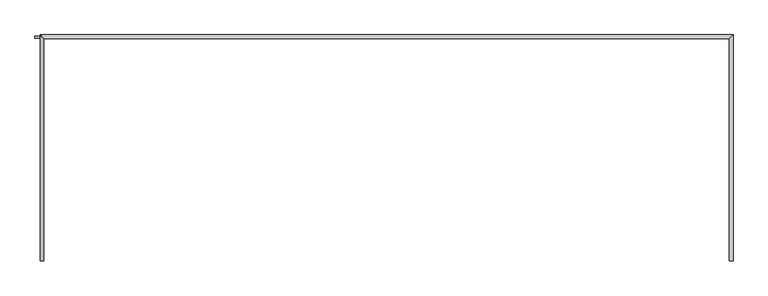
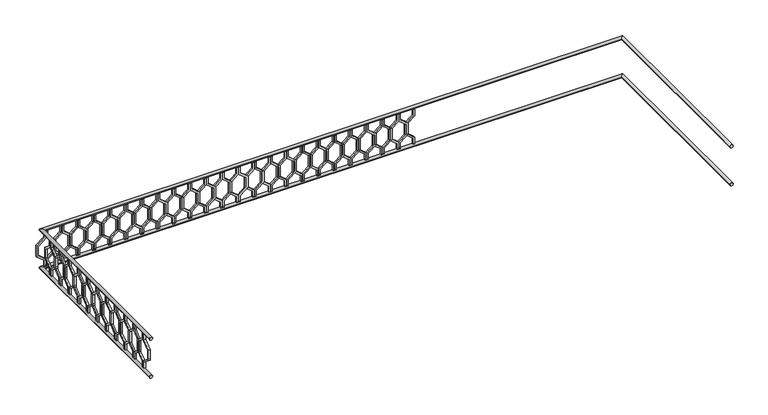
"""IFC4 building model written with IfcOpenShell, lengths in millimetres: railing geometry."""

from ifc_helpers import new_model, si_unit, frame, origin, place, context, project, spatial, polyline, circle_curve, ellipse_curve, outline, extrude, source, transform, mapped, element, save
from ifc_brep_helpers import plane_surface, cylinder_surface, advanced_brep


def railing_f02215d7(model_context):
    return source(origin(), model_context, "Body", "SolidModel", [
        advanced_brep(
        [(-40739.9887159, 903.1079487, 25380.0), (-40699.9887159, 903.1079487, 25380.0), (-40739.9887159, 3243.1079487, 25380.0), (-40699.9887159, 3283.1079487, 25380.0), (-47939.9887159, 3243.1079487, 25380.0), (-47979.9887159, 3283.1079487, 25380.0), (-47939.9887159, 903.1079487, 25380.0), (-47979.9887159, 903.1079487, 25380.0)],
        [
            (0, 1, circle_curve(frame((-40719.9887159, 903.1079487, 25380.0), z_axis=(0.0, -1.0, 0.0), x_axis=(1.0, 0.0, 0.0)), 20.0)),
            (1, 0, circle_curve(frame((-40719.9887159, 903.1079487, 25380.0), z_axis=(0.0, -1.0, 0.0), x_axis=(1.0, 0.0, 0.0)), 20.0)),
            (0, 2),
            (2, 3, ellipse_curve(frame((-40719.9887159, 3263.1079487, 25380.0), z_axis=(0.7071067811865475, -0.7071067811865476, 0.0), x_axis=(-0.7071067811865476, -0.7071067811865475, 0.0)), 28.2842712, 20.0)),
            (3, 1),
            (3, 2, ellipse_curve(frame((-40719.9887159, 3263.1079487, 25380.0), z_axis=(0.7071067811865475, -0.7071067811865476, 0.0), x_axis=(-0.7071067811865476, -0.7071067811865475, 0.0)), 28.2842712, 20.0)),
            (2, 4),
            (4, 5, ellipse_curve(frame((-47959.9887159, 3263.1079487, 25380.0), z_axis=(0.7071067811865481, 0.7071067811865469, 0.0), x_axis=(0.7071067811865469, -0.7071067811865481, 0.0)), 28.2842712, 20.0)),
            (5, 3),
            (5, 4, ellipse_curve(frame((-47959.9887159, 3263.1079487, 25380.0), z_axis=(0.7071067811865481, 0.7071067811865469, 0.0), x_axis=(0.7071067811865469, -0.7071067811865481, 0.0)), 28.2842712, 20.0)),
            (6, 7, circle_curve(frame((-47959.9887159, 903.1079487, 25380.0), z_axis=(0.0, -1.0, 0.0), x_axis=(-1.0, 0.0, 0.0)), 20.0)),
            (7, 6, circle_curve(frame((-47959.9887159, 903.1079487, 25380.0), z_axis=(0.0, -1.0, 0.0), x_axis=(-1.0, 0.0, 0.0)), 20.0)),
            (4, 6),
            (7, 5),
        ],
        [
            plane_surface(frame((-40719.9887159, 903.1079487, 25400.0), z_axis=(0.0, -1.0, 0.0), x_axis=(0.0, 0.0, 1.0))),
            cylinder_surface(frame((-40719.9887159, 903.1079487, 25380.0), z_axis=(0.0, -1.0, 0.0), x_axis=(1.0, 0.0, 0.0)), 20.0),
            cylinder_surface(frame((-40719.9887159, 3263.1079487, 25380.0), z_axis=(1.0, 0.0, 0.0), x_axis=(0.0, 1.0, 0.0)), 20.0),
            plane_surface(frame((-47959.9887159, 903.1079487, 25400.0), z_axis=(0.0, -1.0, 0.0), x_axis=(0.0, 0.0, -1.0))),
            cylinder_surface(frame((-47959.9887159, 3263.1079487, 25380.0), z_axis=(0.0, 1.0, 0.0), x_axis=(-1.0, 0.0, 0.0)), 20.0),
        ],
        [
            (0, [[1, 2]]),
            (1, [[-1, 3, 4, 5]]),
            (1, [[-2, -5, 6, -3]]),
            (2, [[-4, 7, 8, 9]]),
            (2, [[-6, -9, 10, -7]]),
            (3, [[11, 12]]),
            (4, [[-8, 13, -12, 14]]),
            (4, [[-10, -14, -11, -13]]),
        ],
    ),
        advanced_brep(
        [(-40739.9887159, 903.1079487, 24880.0), (-40699.9887159, 903.1079487, 24880.0), (-40739.9887159, 3243.1079487, 24880.0), (-40699.9887159, 3283.1079487, 24880.0), (-47939.9887159, 3243.1079487, 24880.0), (-47979.9887159, 3283.1079487, 24880.0), (-47939.9887159, 903.1079487, 24880.0), (-47979.9887159, 903.1079487, 24880.0)],
        [
            (0, 1, circle_curve(frame((-40719.9887159, 903.1079487, 24880.0), z_axis=(0.0, -1.0, 0.0), x_axis=(1.0, 0.0, 0.0)), 20.0)),
            (1, 0, circle_curve(frame((-40719.9887159, 903.1079487, 24880.0), z_axis=(0.0, -1.0, 0.0), x_axis=(1.0, 0.0, 0.0)), 20.0)),
            (0, 2),
            (2, 3, ellipse_curve(frame((-40719.9887159, 3263.1079487, 24880.0), z_axis=(0.7071067811865475, -0.7071067811865476, 0.0), x_axis=(-0.7071067811865476, -0.7071067811865475, 0.0)), 28.2842712, 20.0)),
            (3, 1),
            (3, 2, ellipse_curve(frame((-40719.9887159, 3263.1079487, 24880.0), z_axis=(0.7071067811865475, -0.7071067811865476, 0.0), x_axis=(-0.7071067811865476, -0.7071067811865475, 0.0)), 28.2842712, 20.0)),
            (2, 4),
            (4, 5, ellipse_curve(frame((-47959.9887159, 3263.1079487, 24880.0), z_axis=(0.7071067811865481, 0.7071067811865469, 0.0), x_axis=(0.7071067811865469, -0.7071067811865481, 0.0)), 28.2842712, 20.0)),
            (5, 3),
            (5, 4, ellipse_curve(frame((-47959.9887159, 3263.1079487, 24880.0), z_axis=(0.7071067811865481, 0.7071067811865469, 0.0), x_axis=(0.7071067811865469, -0.7071067811865481, 0.0)), 28.2842712, 20.0)),
            (6, 7, circle_curve(frame((-47959.9887159, 903.1079487, 24880.0), z_axis=(0.0, -1.0, 0.0), x_axis=(-1.0, 0.0, 0.0)), 20.0)),
            (7, 6, circle_curve(frame((-47959.9887159, 903.1079487, 24880.0), z_axis=(0.0, -1.0, 0.0), x_axis=(-1.0, 0.0, 0.0)), 20.0)),
            (4, 6),
            (7, 5),
        ],
        [
            plane_surface(frame((-40719.9887159, 903.1079487, 24900.0), z_axis=(0.0, -1.0, 0.0), x_axis=(0.0, 0.0, 1.0))),
            cylinder_surface(frame((-40719.9887159, 903.1079487, 24880.0), z_axis=(0.0, -1.0, 0.0), x_axis=(1.0, 0.0, 0.0)), 20.0),
            cylinder_surface(frame((-40719.9887159, 3263.1079487, 24880.0), z_axis=(1.0, 0.0, 0.0), x_axis=(0.0, 1.0, 0.0)), 20.0),
            plane_surface(frame((-47959.9887159, 903.1079487, 24900.0), z_axis=(0.0, -1.0, 0.0), x_axis=(0.0, 0.0, -1.0))),
            cylinder_surface(frame((-47959.9887159, 3263.1079487, 24880.0), z_axis=(0.0, 1.0, 0.0), x_axis=(-1.0, 0.0, 0.0)), 20.0),
        ],
        [
            (0, [[1, 2]]),
            (1, [[-1, 3, 4, 5]]),
            (1, [[-2, -5, 6, -3]]),
            (2, [[-4, 7, 8, 9]]),
            (2, [[-6, -9, 10, -7]]),
            (3, [[11, 12]]),
            (4, [[-8, 13, -12, 14]]),
            (4, [[-10, -14, -11, -13]]),
        ],
    ),
        extrude(outline(polyline([(1068.1079487, 25360.0), (1068.1079487, 25270.448155), (969.1129993, 25190.448155), (969.1129993, 25069.551845), (1068.1079487, 24989.551845), (1068.1079487, 24900.0), (1048.1079487, 24900.0), (1048.1079487, 24980.0), (949.1129993, 25060.0), (949.1129993, 25200.0), (1048.1079487, 25280.0), (1048.1079487, 25360.0), (1068.1079487, 25360.0)])), frame((-47964.9887159, 0.0, 0.0), z_axis=(1.0, 0.0, 0.0), x_axis=(0.0, 1.0, 0.0)), (0.0, 0.0, 1.0), 20.0),
        extrude(outline(polyline([(1068.1079487, 25360.0), (1088.1079487, 25360.0), (1088.1079487, 25280.0), (1187.102898, 25200.0), (1187.102898, 25060.0), (1088.1079487, 24980.0), (1088.1079487, 24900.0), (1068.1079487, 24900.0), (1068.1079487, 24989.551845), (1167.102898, 25069.551845), (1167.102898, 25190.448155), (1068.1079487, 25270.448155), (1068.1079487, 25360.0)])), frame((-47964.9887159, 0.0, 0.0), z_axis=(1.0, 0.0, 0.0), x_axis=(0.0, 1.0, 0.0)), (0.0, 0.0, 1.0), 20.0),
        extrude(outline(polyline([(1268.1079487, 25360.0), (1268.1079487, 25270.448155), (1169.1129993, 25190.448155), (1169.1129993, 25069.551845), (1268.1079487, 24989.551845), (1268.1079487, 24900.0), (1248.1079487, 24900.0), (1248.1079487, 24980.0), (1149.1129993, 25060.0), (1149.1129993, 25200.0), (1248.1079487, 25280.0), (1248.1079487, 25360.0), (1268.1079487, 25360.0)])), frame((-47964.9887159, 0.0, 0.0), z_axis=(1.0, 0.0, 0.0), x_axis=(0.0, 1.0, 0.0)), (0.0, 0.0, 1.0), 20.0),
        extrude(outline(polyline([(1268.1079487, 25360.0), (1288.1079487, 25360.0), (1288.1079487, 25280.0), (1387.102898, 25200.0), (1387.102898, 25060.0), (1288.1079487, 24980.0), (1288.1079487, 24900.0), (1268.1079487, 24900.0), (1268.1079487, 24989.551845), (1367.102898, 25069.551845), (1367.102898, 25190.448155), (1268.1079487, 25270.448155), (1268.1079487, 25360.0)])), frame((-47964.9887159, 0.0, 0.0), z_axis=(1.0, 0.0, 0.0), x_axis=(0.0, 1.0, 0.0)), (0.0, 0.0, 1.0), 20.0),
        extrude(outline(polyline([(1468.1079487, 25360.0), (1468.1079487, 25270.448155), (1369.1129993, 25190.448155), (1369.1129993, 25069.551845), (1468.1079487, 24989.551845), (1468.1079487, 24900.0), (1448.1079487, 24900.0), (1448.1079487, 24980.0), (1349.1129993, 25060.0), (1349.1129993, 25200.0), (1448.1079487, 25280.0), (1448.1079487, 25360.0), (1468.1079487, 25360.0)])), frame((-47964.9887159, 0.0, 0.0), z_axis=(1.0, 0.0, 0.0), x_axis=(0.0, 1.0, 0.0)), (0.0, 0.0, 1.0), 20.0),
        extrude(outline(polyline([(1468.1079487, 25360.0), (1488.1079487, 25360.0), (1488.1079487, 25280.0), (1587.102898, 25200.0), (1587.102898, 25060.0), (1488.1079487, 24980.0), (1488.1079487, 24900.0), (1468.1079487, 24900.0), (1468.1079487, 24989.551845), (1567.102898, 25069.551845), (1567.102898, 25190.448155), (1468.1079487, 25270.448155), (1468.1079487, 25360.0)])), frame((-47964.9887159, 0.0, 0.0), z_axis=(1.0, 0.0, 0.0), x_axis=(0.0, 1.0, 0.0)), (0.0, 0.0, 1.0), 20.0),
        extrude(outline(polyline([(1668.1079487, 25360.0), (1668.1079487, 25270.448155), (1569.1129993, 25190.448155), (1569.1129993, 25069.551845), (1668.1079487, 24989.551845), (1668.1079487, 24900.0), (1648.1079487, 24900.0), (1648.1079487, 24980.0), (1549.1129993, 25060.0), (1549.1129993, 25200.0), (1648.1079487, 25280.0), (1648.1079487, 25360.0), (1668.1079487, 25360.0)])), frame((-47964.9887159, 0.0, 0.0), z_axis=(1.0, 0.0, 0.0), x_axis=(0.0, 1.0, 0.0)), (0.0, 0.0, 1.0), 20.0),
        extrude(outline(polyline([(1668.1079487, 25360.0), (1688.1079487, 25360.0), (1688.1079487, 25280.0), (1787.102898, 25200.0), (1787.102898, 25060.0), (1688.1079487, 24980.0), (1688.1079487, 24900.0), (1668.1079487, 24900.0), (1668.1079487, 24989.551845), (1767.102898, 25069.551845), (1767.102898, 25190.448155), (1668.1079487, 25270.448155), (1668.1079487, 25360.0)])), frame((-47964.9887159, 0.0, 0.0), z_axis=(1.0, 0.0, 0.0), x_axis=(0.0, 1.0, 0.0)), (0.0, 0.0, 1.0), 20.0),
        extrude(outline(polyline([(1868.1079487, 25360.0), (1868.1079487, 25270.448155), (1769.1129993, 25190.448155), (1769.1129993, 25069.551845), (1868.1079487, 24989.551845), (1868.1079487, 24900.0), (1848.1079487, 24900.0), (1848.1079487, 24980.0), (1749.1129993, 25060.0), (1749.1129993, 25200.0), (1848.1079487, 25280.0), (1848.1079487, 25360.0), (1868.1079487, 25360.0)])), frame((-47964.9887159, 0.0, 0.0), z_axis=(1.0, 0.0, 0.0), x_axis=(0.0, 1.0, 0.0)), (0.0, 0.0, 1.0), 20.0),
        extrude(outline(polyline([(1868.1079487, 25360.0), (1888.1079487, 25360.0), (1888.1079487, 25280.0), (1987.102898, 25200.0), (1987.102898, 25060.0), (1888.1079487, 24980.0), (1888.1079487, 24900.0), (1868.1079487, 24900.0), (1868.1079487, 24989.551845), (1967.102898, 25069.551845), (1967.102898, 25190.448155), (1868.1079487, 25270.448155), (1868.1079487, 25360.0)])), frame((-47964.9887159, 0.0, 0.0), z_axis=(1.0, 0.0, 0.0), x_axis=(0.0, 1.0, 0.0)), (0.0, 0.0, 1.0), 20.0),
        extrude(outline(polyline([(2068.1079487, 25360.0), (2068.1079487, 25270.448155), (1969.1129993, 25190.448155), (1969.1129993, 25069.551845), (2068.1079487, 24989.551845), (2068.1079487, 24900.0), (2048.1079487, 24900.0), (2048.1079487, 24980.0), (1949.1129993, 25060.0), (1949.1129993, 25200.0), (2048.1079487, 25280.0), (2048.1079487, 25360.0), (2068.1079487, 25360.0)])), frame((-47964.9887159, 0.0, 0.0), z_axis=(1.0, 0.0, 0.0), x_axis=(0.0, 1.0, 0.0)), (0.0, 0.0, 1.0), 20.0),
        extrude(outline(polyline([(2068.1079487, 25360.0), (2088.1079487, 25360.0), (2088.1079487, 25280.0), (2187.102898, 25200.0), (2187.102898, 25060.0), (2088.1079487, 24980.0), (2088.1079487, 24900.0), (2068.1079487, 24900.0), (2068.1079487, 24989.551845), (2167.102898, 25069.551845), (2167.102898, 25190.448155), (2068.1079487, 25270.448155), (2068.1079487, 25360.0)])), frame((-47964.9887159, 0.0, 0.0), z_axis=(1.0, 0.0, 0.0), x_axis=(0.0, 1.0, 0.0)), (0.0, 0.0, 1.0), 20.0),
        extrude(outline(polyline([(2268.1079487, 25360.0), (2268.1079487, 25270.448155), (2169.1129993, 25190.448155), (2169.1129993, 25069.551845), (2268.1079487, 24989.551845), (2268.1079487, 24900.0), (2248.1079487, 24900.0), (2248.1079487, 24980.0), (2149.1129993, 25060.0), (2149.1129993, 25200.0), (2248.1079487, 25280.0), (2248.1079487, 25360.0), (2268.1079487, 25360.0)])), frame((-47964.9887159, 0.0, 0.0), z_axis=(1.0, 0.0, 0.0), x_axis=(0.0, 1.0, 0.0)), (0.0, 0.0, 1.0), 20.0),
        extrude(outline(polyline([(2268.1079487, 25360.0), (2288.1079487, 25360.0), (2288.1079487, 25280.0), (2387.102898, 25200.0), (2387.102898, 25060.0), (2288.1079487, 24980.0), (2288.1079487, 24900.0), (2268.1079487, 24900.0), (2268.1079487, 24989.551845), (2367.102898, 25069.551845), (2367.102898, 25190.448155), (2268.1079487, 25270.448155), (2268.1079487, 25360.0)])), frame((-47964.9887159, 0.0, 0.0), z_axis=(1.0, 0.0, 0.0), x_axis=(0.0, 1.0, 0.0)), (0.0, 0.0, 1.0), 20.0),
        extrude(outline(polyline([(2468.1079487, 25360.0), (2468.1079487, 25270.448155), (2369.1129993, 25190.448155), (2369.1129993, 25069.551845), (2468.1079487, 24989.551845), (2468.1079487, 24900.0), (2448.1079487, 24900.0), (2448.1079487, 24980.0), (2349.1129993, 25060.0), (2349.1129993, 25200.0), (2448.1079487, 25280.0), (2448.1079487, 25360.0), (2468.1079487, 25360.0)])), frame((-47964.9887159, 0.0, 0.0), z_axis=(1.0, 0.0, 0.0), x_axis=(0.0, 1.0, 0.0)), (0.0, 0.0, 1.0), 20.0),
        extrude(outline(polyline([(2468.1079487, 25360.0), (2488.1079487, 25360.0), (2488.1079487, 25280.0), (2587.102898, 25200.0), (2587.102898, 25060.0), (2488.1079487, 24980.0), (2488.1079487, 24900.0), (2468.1079487, 24900.0), (2468.1079487, 24989.551845), (2567.102898, 25069.551845), (2567.102898, 25190.448155), (2468.1079487, 25270.448155), (2468.1079487, 25360.0)])), frame((-47964.9887159, 0.0, 0.0), z_axis=(1.0, 0.0, 0.0), x_axis=(0.0, 1.0, 0.0)), (0.0, 0.0, 1.0), 20.0),
        extrude(outline(polyline([(2668.1079487, 25360.0), (2668.1079487, 25270.448155), (2569.1129993, 25190.448155), (2569.1129993, 25069.551845), (2668.1079487, 24989.551845), (2668.1079487, 24900.0), (2648.1079487, 24900.0), (2648.1079487, 24980.0), (2549.1129993, 25060.0), (2549.1129993, 25200.0), (2648.1079487, 25280.0), (2648.1079487, 25360.0), (2668.1079487, 25360.0)])), frame((-47964.9887159, 0.0, 0.0), z_axis=(1.0, 0.0, 0.0), x_axis=(0.0, 1.0, 0.0)), (0.0, 0.0, 1.0), 20.0),
        extrude(outline(polyline([(2668.1079487, 25360.0), (2688.1079487, 25360.0), (2688.1079487, 25280.0), (2787.102898, 25200.0), (2787.102898, 25060.0), (2688.1079487, 24980.0), (2688.1079487, 24900.0), (2668.1079487, 24900.0), (2668.1079487, 24989.551845), (2767.102898, 25069.551845), (2767.102898, 25190.448155), (2668.1079487, 25270.448155), (2668.1079487, 25360.0)])), frame((-47964.9887159, 0.0, 0.0), z_axis=(1.0, 0.0, 0.0), x_axis=(0.0, 1.0, 0.0)), (0.0, 0.0, 1.0), 20.0),
        extrude(outline(polyline([(2868.1079487, 25360.0), (2868.1079487, 25270.448155), (2769.1129993, 25190.448155), (2769.1129993, 25069.551845), (2868.1079487, 24989.551845), (2868.1079487, 24900.0), (2848.1079487, 24900.0), (2848.1079487, 24980.0), (2749.1129993, 25060.0), (2749.1129993, 25200.0), (2848.1079487, 25280.0), (2848.1079487, 25360.0), (2868.1079487, 25360.0)])), frame((-47964.9887159, 0.0, 0.0), z_axis=(1.0, 0.0, 0.0), x_axis=(0.0, 1.0, 0.0)), (0.0, 0.0, 1.0), 20.0),
        extrude(outline(polyline([(2868.1079487, 25360.0), (2888.1079487, 25360.0), (2888.1079487, 25280.0), (2987.102898, 25200.0), (2987.102898, 25060.0), (2888.1079487, 24980.0), (2888.1079487, 24900.0), (2868.1079487, 24900.0), (2868.1079487, 24989.551845), (2967.102898, 25069.551845), (2967.102898, 25190.448155), (2868.1079487, 25270.448155), (2868.1079487, 25360.0)])), frame((-47964.9887159, 0.0, 0.0), z_axis=(1.0, 0.0, 0.0), x_axis=(0.0, 1.0, 0.0)), (0.0, 0.0, 1.0), 20.0),
        extrude(outline(polyline([(3068.1079487, 25360.0), (3068.1079487, 25270.448155), (2969.1129993, 25190.448155), (2969.1129993, 25069.551845), (3068.1079487, 24989.551845), (3068.1079487, 24900.0), (3048.1079487, 24900.0), (3048.1079487, 24980.0), (2949.1129993, 25060.0), (2949.1129993, 25200.0), (3048.1079487, 25280.0), (3048.1079487, 25360.0), (3068.1079487, 25360.0)])), frame((-47964.9887159, 0.0, 0.0), z_axis=(1.0, 0.0, 0.0), x_axis=(0.0, 1.0, 0.0)), (0.0, 0.0, 1.0), 20.0),
        extrude(outline(polyline([(3068.1079487, 25360.0), (3088.1079487, 25360.0), (3088.1079487, 25280.0), (3187.102898, 25200.0), (3187.102898, 25060.0), (3088.1079487, 24980.0), (3088.1079487, 24900.0), (3068.1079487, 24900.0), (3068.1079487, 24989.551845), (3167.102898, 25069.551845), (3167.102898, 25190.448155), (3068.1079487, 25270.448155), (3068.1079487, 25360.0)])), frame((-47964.9887159, 0.0, 0.0), z_axis=(1.0, 0.0, 0.0), x_axis=(0.0, 1.0, 0.0)), (0.0, 0.0, 1.0), 20.0),
        extrude(outline(polyline([(25360.0, -47914.9887159), (25360.0, -47934.9887159), (25280.0, -47934.9887159), (25200.0, -48033.9836653), (25060.0, -48033.9836653), (24980.0, -47934.9887159), (24900.0, -47934.9887159), (24900.0, -47914.9887159), (24989.551845, -47914.9887159), (25069.551845, -48013.9836653), (25190.448155, -48013.9836653), (25270.448155, -47914.9887159), (25360.0, -47914.9887159)])), frame((0.0, 3248.1079487, 0.0), z_axis=(0.0, 1.0, 0.0), x_axis=(0.0, 0.0, 1.0)), (0.0, 0.0, 1.0), 20.0),
        extrude(outline(polyline([(25360.0, -47914.9887159), (25270.448155, -47914.9887159), (25190.448155, -47815.9937665), (25069.551845, -47815.9937665), (24989.551845, -47914.9887159), (24900.0, -47914.9887159), (24900.0, -47894.9887159), (24980.0, -47894.9887159), (25060.0, -47795.9937665), (25200.0, -47795.9937665), (25280.0, -47894.9887159), (25360.0, -47894.9887159), (25360.0, -47914.9887159)])), frame((0.0, 3248.1079487, 0.0), z_axis=(0.0, 1.0, 0.0), x_axis=(0.0, 0.0, 1.0)), (0.0, 0.0, 1.0), 20.0),
        extrude(outline(polyline([(25360.0, -47714.9887159), (25360.0, -47734.9887159), (25280.0, -47734.9887159), (25200.0, -47833.9836653), (25060.0, -47833.9836653), (24980.0, -47734.9887159), (24900.0, -47734.9887159), (24900.0, -47714.9887159), (24989.551845, -47714.9887159), (25069.551845, -47813.9836653), (25190.448155, -47813.9836653), (25270.448155, -47714.9887159), (25360.0, -47714.9887159)])), frame((0.0, 3248.1079487, 0.0), z_axis=(0.0, 1.0, 0.0), x_axis=(0.0, 0.0, 1.0)), (0.0, 0.0, 1.0), 20.0),
        extrude(outline(polyline([(25360.0, -47714.9887159), (25270.448155, -47714.9887159), (25190.448155, -47615.9937665), (25069.551845, -47615.9937665), (24989.551845, -47714.9887159), (24900.0, -47714.9887159), (24900.0, -47694.9887159), (24980.0, -47694.9887159), (25060.0, -47595.9937665), (25200.0, -47595.9937665), (25280.0, -47694.9887159), (25360.0, -47694.9887159), (25360.0, -47714.9887159)])), frame((0.0, 3248.1079487, 0.0), z_axis=(0.0, 1.0, 0.0), x_axis=(0.0, 0.0, 1.0)), (0.0, 0.0, 1.0), 20.0),
        extrude(outline(polyline([(25360.0, -47514.9887159), (25360.0, -47534.9887159), (25280.0, -47534.9887159), (25200.0, -47633.9836653), (25060.0, -47633.9836653), (24980.0, -47534.9887159), (24900.0, -47534.9887159), (24900.0, -47514.9887159), (24989.551845, -47514.9887159), (25069.551845, -47613.9836653), (25190.448155, -47613.9836653), (25270.448155, -47514.9887159), (25360.0, -47514.9887159)])), frame((0.0, 3248.1079487, 0.0), z_axis=(0.0, 1.0, 0.0), x_axis=(0.0, 0.0, 1.0)), (0.0, 0.0, 1.0), 20.0),
        extrude(outline(polyline([(25360.0, -47514.9887159), (25270.448155, -47514.9887159), (25190.448155, -47415.9937665), (25069.551845, -47415.9937665), (24989.551845, -47514.9887159), (24900.0, -47514.9887159), (24900.0, -47494.9887159), (24980.0, -47494.9887159), (25060.0, -47395.9937665), (25200.0, -47395.9937665), (25280.0, -47494.9887159), (25360.0, -47494.9887159), (25360.0, -47514.9887159)])), frame((0.0, 3248.1079487, 0.0), z_axis=(0.0, 1.0, 0.0), x_axis=(0.0, 0.0, 1.0)), (0.0, 0.0, 1.0), 20.0),
        extrude(outline(polyline([(25360.0, -47314.9887159), (25360.0, -47334.9887159), (25280.0, -47334.9887159), (25200.0, -47433.9836653), (25060.0, -47433.9836653), (24980.0, -47334.9887159), (24900.0, -47334.9887159), (24900.0, -47314.9887159), (24989.551845, -47314.9887159), (25069.551845, -47413.9836653), (25190.448155, -47413.9836653), (25270.448155, -47314.9887159), (25360.0, -47314.9887159)])), frame((0.0, 3248.1079487, 0.0), z_axis=(0.0, 1.0, 0.0), x_axis=(0.0, 0.0, 1.0)), (0.0, 0.0, 1.0), 20.0),
        extrude(outline(polyline([(25360.0, -47314.9887159), (25270.448155, -47314.9887159), (25190.448155, -47215.9937665), (25069.551845, -47215.9937665), (24989.551845, -47314.9887159), (24900.0, -47314.9887159), (24900.0, -47294.9887159), (24980.0, -47294.9887159), (25060.0, -47195.9937665), (25200.0, -47195.9937665), (25280.0, -47294.9887159), (25360.0, -47294.9887159), (25360.0, -47314.9887159)])), frame((0.0, 3248.1079487, 0.0), z_axis=(0.0, 1.0, 0.0), x_axis=(0.0, 0.0, 1.0)), (0.0, 0.0, 1.0), 20.0),
        extrude(outline(polyline([(25360.0, -47114.9887159), (25360.0, -47134.9887159), (25280.0, -47134.9887159), (25200.0, -47233.9836653), (25060.0, -47233.9836653), (24980.0, -47134.9887159), (24900.0, -47134.9887159), (24900.0, -47114.9887159), (24989.551845, -47114.9887159), (25069.551845, -47213.9836653), (25190.448155, -47213.9836653), (25270.448155, -47114.9887159), (25360.0, -47114.9887159)])), frame((0.0, 3248.1079487, 0.0), z_axis=(0.0, 1.0, 0.0), x_axis=(0.0, 0.0, 1.0)), (0.0, 0.0, 1.0), 20.0),
        extrude(outline(polyline([(25360.0, -47114.9887159), (25270.448155, -47114.9887159), (25190.448155, -47015.9937665), (25069.551845, -47015.9937665), (24989.551845, -47114.9887159), (24900.0, -47114.9887159), (24900.0, -47094.9887159), (24980.0, -47094.9887159), (25060.0, -46995.9937665), (25200.0, -46995.9937665), (25280.0, -47094.9887159), (25360.0, -47094.9887159), (25360.0, -47114.9887159)])), frame((0.0, 3248.1079487, 0.0), z_axis=(0.0, 1.0, 0.0), x_axis=(0.0, 0.0, 1.0)), (0.0, 0.0, 1.0), 20.0),
        extrude(outline(polyline([(25360.0, -46914.9887159), (25360.0, -46934.9887159), (25280.0, -46934.9887159), (25200.0, -47033.9836653), (25060.0, -47033.9836653), (24980.0, -46934.9887159), (24900.0, -46934.9887159), (24900.0, -46914.9887159), (24989.551845, -46914.9887159), (25069.551845, -47013.9836653), (25190.448155, -47013.9836653), (25270.448155, -46914.9887159), (25360.0, -46914.9887159)])), frame((0.0, 3248.1079487, 0.0), z_axis=(0.0, 1.0, 0.0), x_axis=(0.0, 0.0, 1.0)), (0.0, 0.0, 1.0), 20.0),
        extrude(outline(polyline([(25360.0, -46914.9887159), (25270.448155, -46914.9887159), (25190.448155, -46815.9937665), (25069.551845, -46815.9937665), (24989.551845, -46914.9887159), (24900.0, -46914.9887159), (24900.0, -46894.9887159), (24980.0, -46894.9887159), (25060.0, -46795.9937665), (25200.0, -46795.9937665), (25280.0, -46894.9887159), (25360.0, -46894.9887159), (25360.0, -46914.9887159)])), frame((0.0, 3248.1079487, 0.0), z_axis=(0.0, 1.0, 0.0), x_axis=(0.0, 0.0, 1.0)), (0.0, 0.0, 1.0), 20.0),
        extrude(outline(polyline([(25360.0, -46714.9887159), (25360.0, -46734.9887159), (25280.0, -46734.9887159), (25200.0, -46833.9836653), (25060.0, -46833.9836653), (24980.0, -46734.9887159), (24900.0, -46734.9887159), (24900.0, -46714.9887159), (24989.551845, -46714.9887159), (25069.551845, -46813.9836653), (25190.448155, -46813.9836653), (25270.448155, -46714.9887159), (25360.0, -46714.9887159)])), frame((0.0, 3248.1079487, 0.0), z_axis=(0.0, 1.0, 0.0), x_axis=(0.0, 0.0, 1.0)), (0.0, 0.0, 1.0), 20.0),
        extrude(outline(polyline([(25360.0, -46714.9887159), (25270.448155, -46714.9887159), (25190.448155, -46615.9937665), (25069.551845, -46615.9937665), (24989.551845, -46714.9887159), (24900.0, -46714.9887159), (24900.0, -46694.9887159), (24980.0, -46694.9887159), (25060.0, -46595.9937665), (25200.0, -46595.9937665), (25280.0, -46694.9887159), (25360.0, -46694.9887159), (25360.0, -46714.9887159)])), frame((0.0, 3248.1079487, 0.0), z_axis=(0.0, 1.0, 0.0), x_axis=(0.0, 0.0, 1.0)), (0.0, 0.0, 1.0), 20.0),
        extrude(outline(polyline([(25360.0, -46514.9887159), (25360.0, -46534.9887159), (25280.0, -46534.9887159), (25200.0, -46633.9836653), (25060.0, -46633.9836653), (24980.0, -46534.9887159), (24900.0, -46534.9887159), (24900.0, -46514.9887159), (24989.551845, -46514.9887159), (25069.551845, -46613.9836653), (25190.448155, -46613.9836653), (25270.448155, -46514.9887159), (25360.0, -46514.9887159)])), frame((0.0, 3248.1079487, 0.0), z_axis=(0.0, 1.0, 0.0), x_axis=(0.0, 0.0, 1.0)), (0.0, 0.0, 1.0), 20.0),
        extrude(outline(polyline([(25360.0, -46514.9887159), (25270.448155, -46514.9887159), (25190.448155, -46415.9937665), (25069.551845, -46415.9937665), (24989.551845, -46514.9887159), (24900.0, -46514.9887159), (24900.0, -46494.9887159), (24980.0, -46494.9887159), (25060.0, -46395.9937665), (25200.0, -46395.9937665), (25280.0, -46494.9887159), (25360.0, -46494.9887159), (25360.0, -46514.9887159)])), frame((0.0, 3248.1079487, 0.0), z_axis=(0.0, 1.0, 0.0), x_axis=(0.0, 0.0, 1.0)), (0.0, 0.0, 1.0), 20.0),
        extrude(outline(polyline([(25360.0, -46314.9887159), (25360.0, -46334.9887159), (25280.0, -46334.9887159), (25200.0, -46433.9836653), (25060.0, -46433.9836653), (24980.0, -46334.9887159), (24900.0, -46334.9887159), (24900.0, -46314.9887159), (24989.551845, -46314.9887159), (25069.551845, -46413.9836653), (25190.448155, -46413.9836653), (25270.448155, -46314.9887159), (25360.0, -46314.9887159)])), frame((0.0, 3248.1079487, 0.0), z_axis=(0.0, 1.0, 0.0), x_axis=(0.0, 0.0, 1.0)), (0.0, 0.0, 1.0), 20.0),
        extrude(outline(polyline([(25360.0, -46314.9887159), (25270.448155, -46314.9887159), (25190.448155, -46215.9937665), (25069.551845, -46215.9937665), (24989.551845, -46314.9887159), (24900.0, -46314.9887159), (24900.0, -46294.9887159), (24980.0, -46294.9887159), (25060.0, -46195.9937665), (25200.0, -46195.9937665), (25280.0, -46294.9887159), (25360.0, -46294.9887159), (25360.0, -46314.9887159)])), frame((0.0, 3248.1079487, 0.0), z_axis=(0.0, 1.0, 0.0), x_axis=(0.0, 0.0, 1.0)), (0.0, 0.0, 1.0), 20.0),
        extrude(outline(polyline([(25360.0, -46114.9887159), (25360.0, -46134.9887159), (25280.0, -46134.9887159), (25200.0, -46233.9836653), (25060.0, -46233.9836653), (24980.0, -46134.9887159), (24900.0, -46134.9887159), (24900.0, -46114.9887159), (24989.551845, -46114.9887159), (25069.551845, -46213.9836653), (25190.448155, -46213.9836653), (25270.448155, -46114.9887159), (25360.0, -46114.9887159)])), frame((0.0, 3248.1079487, 0.0), z_axis=(0.0, 1.0, 0.0), x_axis=(0.0, 0.0, 1.0)), (0.0, 0.0, 1.0), 20.0),
        extrude(outline(polyline([(25360.0, -46114.9887159), (25270.448155, -46114.9887159), (25190.448155, -46015.9937665), (25069.551845, -46015.9937665), (24989.551845, -46114.9887159), (24900.0, -46114.9887159), (24900.0, -46094.9887159), (24980.0, -46094.9887159), (25060.0, -45995.9937665), (25200.0, -45995.9937665), (25280.0, -46094.9887159), (25360.0, -46094.9887159), (25360.0, -46114.9887159)])), frame((0.0, 3248.1079487, 0.0), z_axis=(0.0, 1.0, 0.0), x_axis=(0.0, 0.0, 1.0)), (0.0, 0.0, 1.0), 20.0),
        extrude(outline(polyline([(25360.0, -45914.9887159), (25360.0, -45934.9887159), (25280.0, -45934.9887159), (25200.0, -46033.9836653), (25060.0, -46033.9836653), (24980.0, -45934.9887159), (24900.0, -45934.9887159), (24900.0, -45914.9887159), (24989.551845, -45914.9887159), (25069.551845, -46013.9836653), (25190.448155, -46013.9836653), (25270.448155, -45914.9887159), (25360.0, -45914.9887159)])), frame((0.0, 3248.1079487, 0.0), z_axis=(0.0, 1.0, 0.0), x_axis=(0.0, 0.0, 1.0)), (0.0, 0.0, 1.0), 20.0),
        extrude(outline(polyline([(25360.0, -45914.9887159), (25270.448155, -45914.9887159), (25190.448155, -45815.9937665), (25069.551845, -45815.9937665), (24989.551845, -45914.9887159), (24900.0, -45914.9887159), (24900.0, -45894.9887159), (24980.0, -45894.9887159), (25060.0, -45795.9937665), (25200.0, -45795.9937665), (25280.0, -45894.9887159), (25360.0, -45894.9887159), (25360.0, -45914.9887159)])), frame((0.0, 3248.1079487, 0.0), z_axis=(0.0, 1.0, 0.0), x_axis=(0.0, 0.0, 1.0)), (0.0, 0.0, 1.0), 20.0),
        extrude(outline(polyline([(25360.0, -45714.9887159), (25360.0, -45734.9887159), (25280.0, -45734.9887159), (25200.0, -45833.9836653), (25060.0, -45833.9836653), (24980.0, -45734.9887159), (24900.0, -45734.9887159), (24900.0, -45714.9887159), (24989.551845, -45714.9887159), (25069.551845, -45813.9836653), (25190.448155, -45813.9836653), (25270.448155, -45714.9887159), (25360.0, -45714.9887159)])), frame((0.0, 3248.1079487, 0.0), z_axis=(0.0, 1.0, 0.0), x_axis=(0.0, 0.0, 1.0)), (0.0, 0.0, 1.0), 20.0),
        extrude(outline(polyline([(25360.0, -45714.9887159), (25270.448155, -45714.9887159), (25190.448155, -45615.9937665), (25069.551845, -45615.9937665), (24989.551845, -45714.9887159), (24900.0, -45714.9887159), (24900.0, -45694.9887159), (24980.0, -45694.9887159), (25060.0, -45595.9937665), (25200.0, -45595.9937665), (25280.0, -45694.9887159), (25360.0, -45694.9887159), (25360.0, -45714.9887159)])), frame((0.0, 3248.1079487, 0.0), z_axis=(0.0, 1.0, 0.0), x_axis=(0.0, 0.0, 1.0)), (0.0, 0.0, 1.0), 20.0),
        extrude(outline(polyline([(25360.0, -45514.9887159), (25360.0, -45534.9887159), (25280.0, -45534.9887159), (25200.0, -45633.9836653), (25060.0, -45633.9836653), (24980.0, -45534.9887159), (24900.0, -45534.9887159), (24900.0, -45514.9887159), (24989.551845, -45514.9887159), (25069.551845, -45613.9836653), (25190.448155, -45613.9836653), (25270.448155, -45514.9887159), (25360.0, -45514.9887159)])), frame((0.0, 3248.1079487, 0.0), z_axis=(0.0, 1.0, 0.0), x_axis=(0.0, 0.0, 1.0)), (0.0, 0.0, 1.0), 20.0),
        extrude(outline(polyline([(25360.0, -45514.9887159), (25270.448155, -45514.9887159), (25190.448155, -45415.9937665), (25069.551845, -45415.9937665), (24989.551845, -45514.9887159), (24900.0, -45514.9887159), (24900.0, -45494.9887159), (24980.0, -45494.9887159), (25060.0, -45395.9937665), (25200.0, -45395.9937665), (25280.0, -45494.9887159), (25360.0, -45494.9887159), (25360.0, -45514.9887159)])), frame((0.0, 3248.1079487, 0.0), z_axis=(0.0, 1.0, 0.0), x_axis=(0.0, 0.0, 1.0)), (0.0, 0.0, 1.0), 20.0),
        extrude(outline(polyline([(25360.0, -45314.9887159), (25360.0, -45334.9887159), (25280.0, -45334.9887159), (25200.0, -45433.9836653), (25060.0, -45433.9836653), (24980.0, -45334.9887159), (24900.0, -45334.9887159), (24900.0, -45314.9887159), (24989.551845, -45314.9887159), (25069.551845, -45413.9836653), (25190.448155, -45413.9836653), (25270.448155, -45314.9887159), (25360.0, -45314.9887159)])), frame((0.0, 3248.1079487, 0.0), z_axis=(0.0, 1.0, 0.0), x_axis=(0.0, 0.0, 1.0)), (0.0, 0.0, 1.0), 20.0),
        extrude(outline(polyline([(25360.0, -45314.9887159), (25270.448155, -45314.9887159), (25190.448155, -45215.9937665), (25069.551845, -45215.9937665), (24989.551845, -45314.9887159), (24900.0, -45314.9887159), (24900.0, -45294.9887159), (24980.0, -45294.9887159), (25060.0, -45195.9937665), (25200.0, -45195.9937665), (25280.0, -45294.9887159), (25360.0, -45294.9887159), (25360.0, -45314.9887159)])), frame((0.0, 3248.1079487, 0.0), z_axis=(0.0, 1.0, 0.0), x_axis=(0.0, 0.0, 1.0)), (0.0, 0.0, 1.0), 20.0),
        extrude(outline(polyline([(25360.0, -45114.9887159), (25360.0, -45134.9887159), (25280.0, -45134.9887159), (25200.0, -45233.9836653), (25060.0, -45233.9836653), (24980.0, -45134.9887159), (24900.0, -45134.9887159), (24900.0, -45114.9887159), (24989.551845, -45114.9887159), (25069.551845, -45213.9836653), (25190.448155, -45213.9836653), (25270.448155, -45114.9887159), (25360.0, -45114.9887159)])), frame((0.0, 3248.1079487, 0.0), z_axis=(0.0, 1.0, 0.0), x_axis=(0.0, 0.0, 1.0)), (0.0, 0.0, 1.0), 20.0),
        extrude(outline(polyline([(25360.0, -45114.9887159), (25270.448155, -45114.9887159), (25190.448155, -45015.9937665), (25069.551845, -45015.9937665), (24989.551845, -45114.9887159), (24900.0, -45114.9887159), (24900.0, -45094.9887159), (24980.0, -45094.9887159), (25060.0, -44995.9937665), (25200.0, -44995.9937665), (25280.0, -45094.9887159), (25360.0, -45094.9887159), (25360.0, -45114.9887159)])), frame((0.0, 3248.1079487, 0.0), z_axis=(0.0, 1.0, 0.0), x_axis=(0.0, 0.0, 1.0)), (0.0, 0.0, 1.0), 20.0),
        extrude(outline(polyline([(25360.0, -44914.9887159), (25360.0, -44934.9887159), (25280.0, -44934.9887159), (25200.0, -45033.9836653), (25060.0, -45033.9836653), (24980.0, -44934.9887159), (24900.0, -44934.9887159), (24900.0, -44914.9887159), (24989.551845, -44914.9887159), (25069.551845, -45013.9836653), (25190.448155, -45013.9836653), (25270.448155, -44914.9887159), (25360.0, -44914.9887159)])), frame((0.0, 3248.1079487, 0.0), z_axis=(0.0, 1.0, 0.0), x_axis=(0.0, 0.0, 1.0)), (0.0, 0.0, 1.0), 20.0),
        extrude(outline(polyline([(25360.0, -44914.9887159), (25270.448155, -44914.9887159), (25190.448155, -44815.9937665), (25069.551845, -44815.9937665), (24989.551845, -44914.9887159), (24900.0, -44914.9887159), (24900.0, -44894.9887159), (24980.0, -44894.9887159), (25060.0, -44795.9937665), (25200.0, -44795.9937665), (25280.0, -44894.9887159), (25360.0, -44894.9887159), (25360.0, -44914.9887159)])), frame((0.0, 3248.1079487, 0.0), z_axis=(0.0, 1.0, 0.0), x_axis=(0.0, 0.0, 1.0)), (0.0, 0.0, 1.0), 20.0),
        extrude(outline(polyline([(25360.0, -44714.9887159), (25360.0, -44734.9887159), (25280.0, -44734.9887159), (25200.0, -44833.9836653), (25060.0, -44833.9836653), (24980.0, -44734.9887159), (24900.0, -44734.9887159), (24900.0, -44714.9887159), (24989.551845, -44714.9887159), (25069.551845, -44813.9836653), (25190.448155, -44813.9836653), (25270.448155, -44714.9887159), (25360.0, -44714.9887159)])), frame((0.0, 3248.1079487, 0.0), z_axis=(0.0, 1.0, 0.0), x_axis=(0.0, 0.0, 1.0)), (0.0, 0.0, 1.0), 20.0),
        extrude(outline(polyline([(25360.0, -44714.9887159), (25270.448155, -44714.9887159), (25190.448155, -44615.9937665), (25069.551845, -44615.9937665), (24989.551845, -44714.9887159), (24900.0, -44714.9887159), (24900.0, -44694.9887159), (24980.0, -44694.9887159), (25060.0, -44595.9937665), (25200.0, -44595.9937665), (25280.0, -44694.9887159), (25360.0, -44694.9887159), (25360.0, -44714.9887159)])), frame((0.0, 3248.1079487, 0.0), z_axis=(0.0, 1.0, 0.0), x_axis=(0.0, 0.0, 1.0)), (0.0, 0.0, 1.0), 20.0),
        extrude(outline(polyline([(25360.0, -44514.9887159), (25360.0, -44534.9887159), (25280.0, -44534.9887159), (25200.0, -44633.9836653), (25060.0, -44633.9836653), (24980.0, -44534.9887159), (24900.0, -44534.9887159), (24900.0, -44514.9887159), (24989.551845, -44514.9887159), (25069.551845, -44613.9836653), (25190.448155, -44613.9836653), (25270.448155, -44514.9887159), (25360.0, -44514.9887159)])), frame((0.0, 3248.1079487, 0.0), z_axis=(0.0, 1.0, 0.0), x_axis=(0.0, 0.0, 1.0)), (0.0, 0.0, 1.0), 20.0),
        extrude(outline(polyline([(25360.0, -44514.9887159), (25270.448155, -44514.9887159), (25190.448155, -44415.9937665), (25069.551845, -44415.9937665), (24989.551845, -44514.9887159), (24900.0, -44514.9887159), (24900.0, -44494.9887159), (24980.0, -44494.9887159), (25060.0, -44395.9937665), (25200.0, -44395.9937665), (25280.0, -44494.9887159), (25360.0, -44494.9887159), (25360.0, -44514.9887159)])), frame((0.0, 3248.1079487, 0.0), z_axis=(0.0, 1.0, 0.0), x_axis=(0.0, 0.0, 1.0)), (0.0, 0.0, 1.0), 20.0),
        extrude(outline(polyline([(25360.0, -44314.9887159), (25360.0, -44334.9887159), (25280.0, -44334.9887159), (25200.0, -44433.9836653), (25060.0, -44433.9836653), (24980.0, -44334.9887159), (24900.0, -44334.9887159), (24900.0, -44314.9887159), (24989.551845, -44314.9887159), (25069.551845, -44413.9836653), (25190.448155, -44413.9836653), (25270.448155, -44314.9887159), (25360.0, -44314.9887159)])), frame((0.0, 3248.1079487, 0.0), z_axis=(0.0, 1.0, 0.0), x_axis=(0.0, 0.0, 1.0)), (0.0, 0.0, 1.0), 20.0),
        extrude(outline(polyline([(25360.0, -44314.9887159), (25270.448155, -44314.9887159), (25190.448155, -44215.9937665), (25069.551845, -44215.9937665), (24989.551845, -44314.9887159), (24900.0, -44314.9887159), (24900.0, -44294.9887159), (24980.0, -44294.9887159), (25060.0, -44195.9937665), (25200.0, -44195.9937665), (25280.0, -44294.9887159), (25360.0, -44294.9887159), (25360.0, -44314.9887159)])), frame((0.0, 3248.1079487, 0.0), z_axis=(0.0, 1.0, 0.0), x_axis=(0.0, 0.0, 1.0)), (0.0, 0.0, 1.0), 20.0),
        extrude(outline(polyline([(25360.0, -44114.9887159), (25360.0, -44134.9887159), (25280.0, -44134.9887159), (25200.0, -44233.9836653), (25060.0, -44233.9836653), (24980.0, -44134.9887159), (24900.0, -44134.9887159), (24900.0, -44114.9887159), (24989.551845, -44114.9887159), (25069.551845, -44213.9836653), (25190.448155, -44213.9836653), (25270.448155, -44114.9887159), (25360.0, -44114.9887159)])), frame((0.0, 3248.1079487, 0.0), z_axis=(0.0, 1.0, 0.0), x_axis=(0.0, 0.0, 1.0)), (0.0, 0.0, 1.0), 20.0),
        extrude(outline(polyline([(25360.0, -44114.9887159), (25270.448155, -44114.9887159), (25190.448155, -44015.9937665), (25069.551845, -44015.9937665), (24989.551845, -44114.9887159), (24900.0, -44114.9887159), (24900.0, -44094.9887159), (24980.0, -44094.9887159), (25060.0, -43995.9937665), (25200.0, -43995.9937665), (25280.0, -44094.9887159), (25360.0, -44094.9887159), (25360.0, -44114.9887159)])), frame((0.0, 3248.1079487, 0.0), z_axis=(0.0, 1.0, 0.0), x_axis=(0.0, 0.0, 1.0)), (0.0, 0.0, 1.0), 20.0),
        extrude(outline(polyline([(25360.0, -43914.9887159), (25360.0, -43934.9887159), (25280.0, -43934.9887159), (25200.0, -44033.9836653), (25060.0, -44033.9836653), (24980.0, -43934.9887159), (24900.0, -43934.9887159), (24900.0, -43914.9887159), (24989.551845, -43914.9887159), (25069.551845, -44013.9836653), (25190.448155, -44013.9836653), (25270.448155, -43914.9887159), (25360.0, -43914.9887159)])), frame((0.0, 3248.1079487, 0.0), z_axis=(0.0, 1.0, 0.0), x_axis=(0.0, 0.0, 1.0)), (0.0, 0.0, 1.0), 20.0),
        extrude(outline(polyline([(25360.0, -43914.9887159), (25270.448155, -43914.9887159), (25190.448155, -43815.9937665), (25069.551845, -43815.9937665), (24989.551845, -43914.9887159), (24900.0, -43914.9887159), (24900.0, -43894.9887159), (24980.0, -43894.9887159), (25060.0, -43795.9937665), (25200.0, -43795.9937665), (25280.0, -43894.9887159), (25360.0, -43894.9887159), (25360.0, -43914.9887159)])), frame((0.0, 3248.1079487, 0.0), z_axis=(0.0, 1.0, 0.0), x_axis=(0.0, 0.0, 1.0)), (0.0, 0.0, 1.0), 20.0),
        extrude(outline(polyline([(25360.0, -43714.9887159), (25360.0, -43734.9887159), (25280.0, -43734.9887159), (25200.0, -43833.9836653), (25060.0, -43833.9836653), (24980.0, -43734.9887159), (24900.0, -43734.9887159), (24900.0, -43714.9887159), (24989.551845, -43714.9887159), (25069.551845, -43813.9836653), (25190.448155, -43813.9836653), (25270.448155, -43714.9887159), (25360.0, -43714.9887159)])), frame((0.0, 3248.1079487, 0.0), z_axis=(0.0, 1.0, 0.0), x_axis=(0.0, 0.0, 1.0)), (0.0, 0.0, 1.0), 20.0),
        extrude(outline(polyline([(25360.0, -43714.9887159), (25270.448155, -43714.9887159), (25190.448155, -43615.9937665), (25069.551845, -43615.9937665), (24989.551845, -43714.9887159), (24900.0, -43714.9887159), (24900.0, -43694.9887159), (24980.0, -43694.9887159), (25060.0, -43595.9937665), (25200.0, -43595.9937665), (25280.0, -43694.9887159), (25360.0, -43694.9887159), (25360.0, -43714.9887159)])), frame((0.0, 3248.1079487, 0.0), z_axis=(0.0, 1.0, 0.0), x_axis=(0.0, 0.0, 1.0)), (0.0, 0.0, 1.0), 20.0),
        extrude(outline(polyline([(25360.0, -43514.9887159), (25360.0, -43534.9887159), (25280.0, -43534.9887159), (25200.0, -43633.9836653), (25060.0, -43633.9836653), (24980.0, -43534.9887159), (24900.0, -43534.9887159), (24900.0, -43514.9887159), (24989.551845, -43514.9887159), (25069.551845, -43613.9836653), (25190.448155, -43613.9836653), (25270.448155, -43514.9887159), (25360.0, -43514.9887159)])), frame((0.0, 3248.1079487, 0.0), z_axis=(0.0, 1.0, 0.0), x_axis=(0.0, 0.0, 1.0)), (0.0, 0.0, 1.0), 20.0),
        extrude(outline(polyline([(25360.0, -43514.9887159), (25270.448155, -43514.9887159), (25190.448155, -43415.9937665), (25069.551845, -43415.9937665), (24989.551845, -43514.9887159), (24900.0, -43514.9887159), (24900.0, -43494.9887159), (24980.0, -43494.9887159), (25060.0, -43395.9937665), (25200.0, -43395.9937665), (25280.0, -43494.9887159), (25360.0, -43494.9887159), (25360.0, -43514.9887159)])), frame((0.0, 3248.1079487, 0.0), z_axis=(0.0, 1.0, 0.0), x_axis=(0.0, 0.0, 1.0)), (0.0, 0.0, 1.0), 20.0),
        extrude(outline(polyline([(25360.0, -43314.9887159), (25360.0, -43334.9887159), (25280.0, -43334.9887159), (25200.0, -43433.9836653), (25060.0, -43433.9836653), (24980.0, -43334.9887159), (24900.0, -43334.9887159), (24900.0, -43314.9887159), (24989.551845, -43314.9887159), (25069.551845, -43413.9836653), (25190.448155, -43413.9836653), (25270.448155, -43314.9887159), (25360.0, -43314.9887159)])), frame((0.0, 3248.1079487, 0.0), z_axis=(0.0, 1.0, 0.0), x_axis=(0.0, 0.0, 1.0)), (0.0, 0.0, 1.0), 20.0),
    ])


if __name__ == "__main__":
    model = new_model("IFC4")
    model_context = context("Model", 3, world=origin())
    ifc_project = project(units=[si_unit("LENGTHUNIT", "METRE", prefix="MILLI")], contexts=[model_context])
    site = spatial("IfcSite", under=ifc_project)
    building = spatial("IfcBuilding", under=site)
    placement = place(None, origin())
    railing_shape = railing_f02215d7(model_context)
    element("IfcRailing", 1, at=placement, inside=building, context=model_context, shape_type="MappedRepresentation", body=[
        mapped(railing_shape, transform((0.0, 0.0, 0.0), x_axis=(1.0, 0.0, 0.0), y_axis=(0.0, 1.0, 0.0), z_axis=(0.0, 0.0, 1.0))),
    ])
    save(model, "model.ifc")
